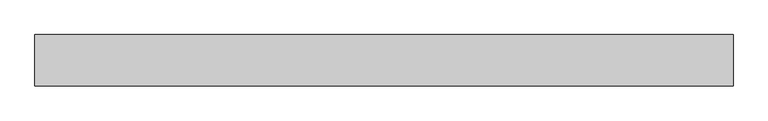
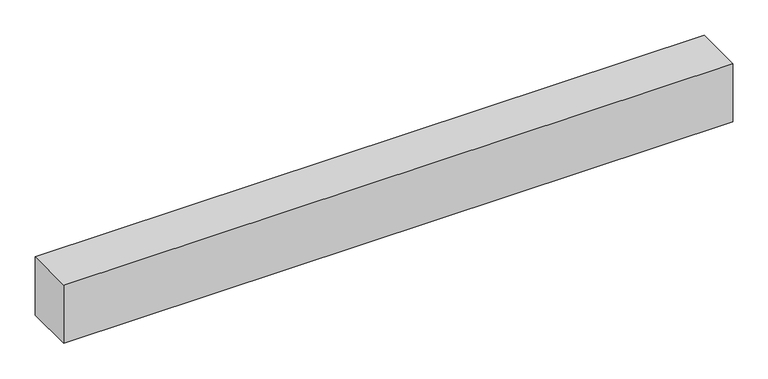
"""IFC4 building model written with IfcOpenShell, lengths in millimetres: proxy geometry."""

from ifc_helpers import new_model, si_unit, frame, origin, place, context, project, spatial, polyline, outline, extrude, source, transform, mapped, element, save


def generic_models_809cf948(model_context):
    return source(origin(), model_context, "Body", "SweptSolid", [
        extrude(outline(polyline([(40.0, 0.0), (-40.0, 0.0), (-40.0, 1087.8571515), (40.0, 1087.8571515), (40.0, 0.0)])), frame((1087.8571515, 0.0, 0.0), z_axis=(0.0, -1.9783474858313244e-12, 1.0), x_axis=(0.0, 1.0, 1.9783474858313244e-12)), (0.0, 0.0, 1.0), 100.0),
    ])


if __name__ == "__main__":
    model = new_model("IFC4")
    model_context = context("Model", 3, world=origin())
    ifc_project = project(units=[si_unit("LENGTHUNIT", "METRE", prefix="MILLI")], contexts=[model_context])
    site = spatial("IfcSite", under=ifc_project)
    building = spatial("IfcBuilding", under=site)
    placement = place(None, origin())
    generic_models_shape = generic_models_809cf948(model_context)
    element("IfcBuildingElementProxy", 1, Name="Generic Models", at=placement, inside=building, context=model_context, shape_type="MappedRepresentation", body=[
        mapped(generic_models_shape, transform((0.0, 0.0, 0.0), x_axis=(1.0, 0.0, 0.0), y_axis=(0.0, 1.0, 0.0), z_axis=(0.0, 0.0, 1.0))),
    ])
    save(model, "model.ifc")
